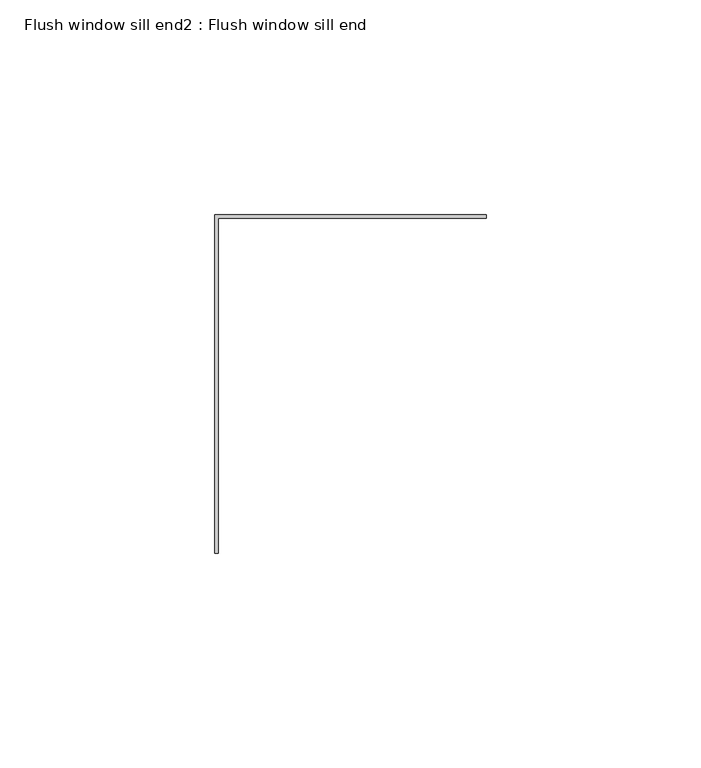
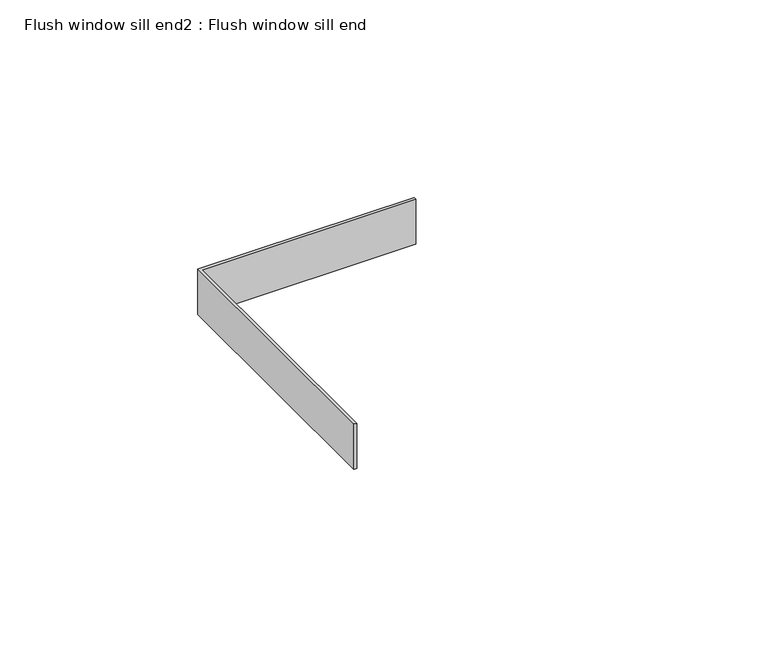
"""IFC4 building model written with IfcOpenShell, lengths in millimetres: proxy geometry, Flush window sill end2 : Flush window sill end."""

from ifc_helpers import new_model, si_unit, frame, origin, place, context, project, spatial, polyline, outline, extrude, source, transform, mapped, element, save


def flush_window_sill_end2_flush_window_sill_end_fca3d587(model_context):
    return source(origin(), model_context, "Body", "SweptSolid", [
        extrude(outline(polyline([(16228.3060838, 10471.3615096), (16227.4791786, 10471.3615096), (16227.4791786, 10550.3594915), (16290.7910961, 10550.3594915), (16290.7910961, 10549.5325864), (16228.3060838, 10549.5325864), (16228.3060838, 10471.3615096)])), frame((0.0, 0.0, -885.662203), z_axis=(0.0, 0.0, 1.0), x_axis=(1.0, 0.0, 0.0)), (0.0, 0.0, 1.0), 13.9452881),
    ])


if __name__ == "__main__":
    model = new_model("IFC4")
    model_context = context("Model", 3, world=origin())
    ifc_project = project(units=[si_unit("LENGTHUNIT", "METRE", prefix="MILLI")], contexts=[model_context])
    site = spatial("IfcSite", under=ifc_project)
    building = spatial("IfcBuilding", under=site)
    placement = place(None, origin())
    flush_window_sill_end2_flush_window_sill_end_shape = flush_window_sill_end2_flush_window_sill_end_fca3d587(model_context)
    element("IfcBuildingElementProxy", 1, Name="Flush window sill end2 : Flush window sill end", ObjectType="Flush window sill end2 : Flush window sill end", at=placement, inside=building, context=model_context, shape_type="MappedRepresentation", body=[
        mapped(flush_window_sill_end2_flush_window_sill_end_shape, transform((0.0, 0.0, 0.0), x_axis=(1.0, 0.0, 0.0), y_axis=(0.0, 1.0, 0.0), z_axis=(0.0, 0.0, 1.0))),
    ])
    save(model, "model.ifc")
